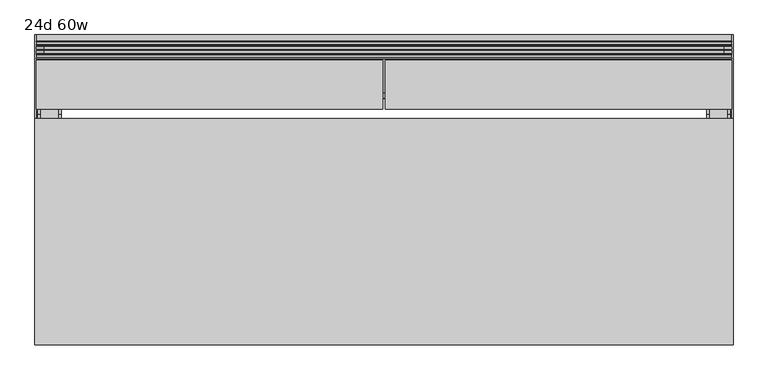
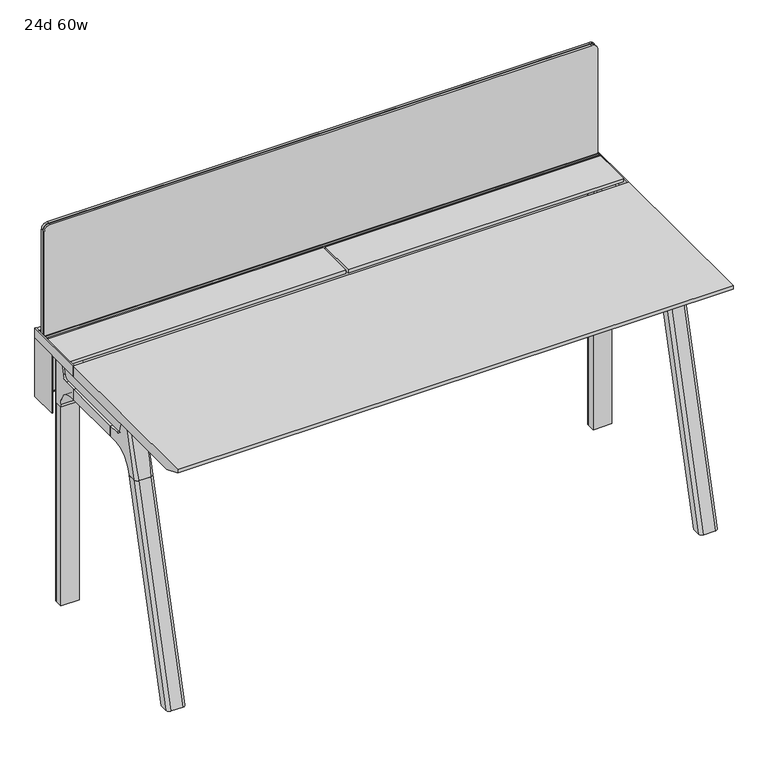
"""IFC4 building model written with IfcOpenShell, lengths in millimetres: furniture geometry, 24d 60w."""

from ifc_helpers import new_model, si_unit, point, frame, frame_2d, origin, place, context, project, spatial, polyline, circle_curve, ellipse_curve, trimmed, segment, composite_curve, outline, extrude, source, transform, mapped, element, save
from ifc_brep_helpers import plane_surface, cylinder_surface, revolved_surface, advanced_brep


def furniture_24d_60w_eb906c71(model_context):
    return source(origin(), model_context, "Body", "SolidModel", [
        extrude(outline(composite_curve([segment(polyline([(-171.6458172, 542.478661), (-293.447806, 542.478661)]), True, "CONTINUOUS"), segment(trimmed(circle_curve(frame_2d((-293.447806, 555.972411)), 13.49375), [point((-293.447806, 542.478661))], [point((-306.941556, 555.972411))], False, "CARTESIAN"), True, "CONTINUOUS"), segment(polyline([(-306.941556, 555.972411), (-306.941556, 579.126206), (-306.147806, 579.126206), (-306.147806, 555.972411)]), True, "CONTINUOUS"), segment(trimmed(circle_curve(frame_2d((-293.447806, 555.972411)), 12.7), [point((-306.147806, 555.972411))], [point((-293.447806, 543.272411))], True, "CARTESIAN"), True, "CONTINUOUS"), segment(polyline([(-293.447806, 543.272411), (-171.6458172, 543.272411), (-171.6458172, 542.478661)]), True, "CONTINUOUS")], self_intersect=False)), frame((-390.525, 0.0, 0.0), z_axis=(1.0, 0.0, 0.0), x_axis=(0.0, 1.0, 0.0)), (0.0, 0.0, 1.0), 1212.85),
        extrude(outline(polyline([(-167.2415802, 542.478661), (-171.6458172, 542.478661), (-171.6458172, 543.272411), (-168.0353302, 543.272411), (-168.0353302, 738.7080593), (-179.9097266, 738.7080593), (-179.9097266, 729.9768093), (-180.7034766, 729.9768093), (-180.7034766, 739.5018093), (-167.2415802, 739.5018093), (-167.2415802, 542.478661)])), frame((-542.925, 0.0, 0.0), z_axis=(1.0, 0.0, 0.0), x_axis=(0.0, 1.0, 0.0)), (0.0, 0.0, 1.0), 1517.65),
        extrude(outline(composite_curve([segment(polyline([(1054.89375, 955.675), (1054.89375, -523.875)]), True, "CONTINUOUS"), segment(trimmed(circle_curve(frame_2d((1039.01875, -523.875)), 15.875), [point((1054.89375, -523.875))], [point((1039.01875, -539.75))], False, "CARTESIAN"), True, "CONTINUOUS"), segment(polyline([(1039.01875, -539.75), (720.725, -539.75), (720.725, 971.55), (1039.01875, 971.55)]), True, "CONTINUOUS"), segment(trimmed(circle_curve(frame_2d((1039.01875, 955.675)), 15.875), [point((1039.01875, 971.55))], [point((1054.89375, 955.675))], False, "CARTESIAN"), True, "CONTINUOUS")], self_intersect=False)), frame((0.0, -201.3409766, 0.0), z_axis=(0.0, 1.0, 0.0), x_axis=(0.0, 0.0, 1.0)), (0.0, 0.0, 1.0), 3.175),
        extrude(outline(composite_curve([segment(polyline([(1058.06875, 958.85), (1058.06875, -527.05)]), True, "CONTINUOUS"), segment(trimmed(circle_curve(frame_2d((1042.19375, -527.05)), 15.875), [point((1058.06875, -527.05))], [point((1042.19375, -542.925))], False, "CARTESIAN"), True, "CONTINUOUS"), segment(polyline([(1042.19375, -542.925), (717.55, -542.925), (717.55, 974.725), (1042.19375, 974.725)]), True, "CONTINUOUS"), segment(trimmed(circle_curve(frame_2d((1042.19375, 958.85)), 15.875), [point((1042.19375, 974.725))], [point((1058.06875, 958.85))], False, "CARTESIAN"), True, "CONTINUOUS")], self_intersect=False)), frame((0.0, -198.1659766, 0.0), z_axis=(0.0, 1.0, 0.0), x_axis=(0.0, 0.0, 1.0)), (0.0, 0.0, 1.0), 5.55625),
        extrude(outline(composite_curve([segment(polyline([(1058.06875, 958.85), (1058.06875, -527.05)]), True, "CONTINUOUS"), segment(trimmed(circle_curve(frame_2d((1042.19375, -527.05)), 15.875), [point((1058.06875, -527.05))], [point((1042.19375, -542.925))], False, "CARTESIAN"), True, "CONTINUOUS"), segment(polyline([(1042.19375, -542.925), (717.55, -542.925), (717.55, 974.725), (1042.19375, 974.725)]), True, "CONTINUOUS"), segment(trimmed(circle_curve(frame_2d((1042.19375, 958.85)), 15.875), [point((1042.19375, 974.725))], [point((1058.06875, 958.85))], False, "CARTESIAN"), True, "CONTINUOUS")], self_intersect=False)), frame((0.0, -206.8972266, 0.0), z_axis=(0.0, 1.0, 0.0), x_axis=(0.0, 0.0, 1.0)), (0.0, 0.0, 1.0), 5.55625),
        extrude(outline(polyline([(-218.8034766, 715.9625), (-218.8034766, 741.3625), (-217.2159766, 741.3625), (-217.2159766, 720.725), (-210.8659766, 720.725), (-210.8659766, 741.3625), (-209.2784766, 741.3625), (-209.2784766, 717.55), (-190.2284766, 717.55), (-190.2284766, 741.3625), (-188.6409766, 741.3625), (-188.6409766, 720.725), (-182.2909766, 720.725), (-182.2909766, 741.3625), (-180.7034766, 741.3625), (-180.7034766, 715.9625), (-218.8034766, 715.9625)])), frame((-542.925, 0.0, 0.0), z_axis=(1.0, 0.0, 0.0), x_axis=(0.0, 1.0, 0.0)), (0.0, 0.0, 1.0), 1517.65),
        extrude(outline(composite_curve([segment(polyline([(-280.7159766, 711.2), (-289.7740774, 677.3947076)]), True, "CONTINUOUS"), segment(trimmed(circle_curve(frame_2d((-305.1081499, 681.5034599)), 15.875), [point((-289.7740774, 677.3947076))], [point((-305.1081499, 665.6284599))], False, "CARTESIAN"), True, "CONTINUOUS"), segment(polyline([(-305.1081499, 665.6284599), (-550.8050533, 665.6284599)]), True, "CONTINUOUS"), segment(trimmed(circle_curve(frame_2d((-550.8050533, 681.5034599)), 15.875), [point((-550.8050533, 665.6284599))], [point((-566.1391258, 677.3947076))], False, "CARTESIAN"), True, "CONTINUOUS"), segment(polyline([(-566.1391258, 677.3947076), (-575.1972266, 711.2), (-280.7159766, 711.2)]), True, "CONTINUOUS")], self_intersect=False)), frame((927.1, 0.0, 0.0), z_axis=(1.0, 0.0, 0.0), x_axis=(0.0, 1.0, 0.0)), (0.0, 0.0, 1.0), 38.1),
        extrude(outline(polyline([(971.55, -341.0409766), (971.55, -514.8722266), (920.75, -514.8722266), (920.75, -341.0409766), (971.55, -341.0409766)])), frame((0.0, 0.0, 635.6476591), z_axis=(0.0, 0.0, 1.0), x_axis=(1.0, 0.0, 0.0)), (0.0, 0.0, 1.0), 29.9808008),
        extrude(outline(composite_curve([segment(polyline([(-280.7159766, 711.2), (-289.7740774, 677.3947076)]), True, "CONTINUOUS"), segment(trimmed(circle_curve(frame_2d((-305.1081499, 681.5034599)), 15.875), [point((-289.7740774, 677.3947076))], [point((-305.1081499, 665.6284599))], False, "CARTESIAN"), True, "CONTINUOUS"), segment(polyline([(-305.1081499, 665.6284599), (-550.8050533, 665.6284599)]), True, "CONTINUOUS"), segment(trimmed(circle_curve(frame_2d((-550.8050533, 681.5034599)), 15.875), [point((-550.8050533, 665.6284599))], [point((-566.1391258, 677.3947076))], False, "CARTESIAN"), True, "CONTINUOUS"), segment(polyline([(-566.1391258, 677.3947076), (-575.1972266, 711.2), (-280.7159766, 711.2)]), True, "CONTINUOUS")], self_intersect=False)), frame((-533.4, 0.0, 0.0), z_axis=(1.0, 0.0, 0.0), x_axis=(0.0, 1.0, 0.0)), (0.0, 0.0, 1.0), 38.1),
        extrude(outline(polyline([(-488.95, -341.0409766), (-488.95, -514.8722266), (-539.75, -514.8722266), (-539.75, -341.0409766), (-488.95, -341.0409766)])), frame((0.0, 0.0, 635.6476591), z_axis=(0.0, 0.0, 1.0), x_axis=(1.0, 0.0, 0.0)), (0.0, 0.0, 1.0), 29.9808008),
        advanced_brep(
        [(971.55, -280.6696478, 711.2), (971.55, -289.7277486, 677.3947076), (971.55, -305.0618211, 665.6284599), (971.55, -341.0409766, 665.6284599), (971.55, -341.0409766, 635.6476591), (971.55, -329.9284766, 635.6476591), (971.55, -279.1284766, 584.8476591), (971.55, -279.1284766, 576.659375), (971.55, -256.9034766, 576.659375), (971.55, -256.9034766, 711.2), (920.75, -279.1284766, 576.659375), (920.75, -279.1284766, 584.8476591), (920.75, -329.9284766, 635.6476591), (920.75, -341.0409766, 635.6476591), (920.75, -341.0409766, 665.6284599), (920.75, -305.0618211, 665.6284599), (920.75, -289.7277486, 677.3947076), (920.75, -280.6696478, 711.2), (920.75, -256.9034766, 711.2), (920.75, -256.9034766, 576.659375), (962.025, -247.3784766, 711.2), (930.275, -247.3784766, 711.2), (930.275, -247.3784766, 576.659375), (962.025, -247.3784766, 576.659375)],
        [
            (0, 1),
            (1, 2, circle_curve(frame((971.55, -305.0618211, 681.5034599), z_axis=(-1.0, 0.0, 0.0), x_axis=(0.0, 1.0, 0.0)), 15.875)),
            (2, 3),
            (3, 4),
            (4, 5),
            (5, 6, circle_curve(frame((971.55, -329.9284766, 584.8476591), z_axis=(-1.0, 0.0, 0.0), x_axis=(0.0, 1.0, 0.0)), 50.8)),
            (6, 7),
            (7, 8),
            (8, 9),
            (9, 0),
            (10, 11),
            (11, 12, circle_curve(frame((920.75, -329.9284766, 584.8476591), z_axis=(1.0, 0.0, 0.0), x_axis=(0.0, 1.0, 0.0)), 50.8)),
            (12, 13),
            (13, 14),
            (14, 15),
            (15, 16, circle_curve(frame((920.75, -305.0618211, 681.5034599), z_axis=(1.0, 0.0, 0.0), x_axis=(0.0, 1.0, 0.0)), 15.875)),
            (16, 17),
            (17, 18),
            (18, 19),
            (19, 10),
            (17, 0),
            (9, 20, circle_curve(frame((962.025, -256.9034766, 711.2), z_axis=(0.0, 0.0, 1.0), x_axis=(-1.0, 0.0, 0.0)), 9.525)),
            (20, 21),
            (21, 18, circle_curve(frame((930.275, -256.9034766, 711.2), z_axis=(0.0, 0.0, 1.0), x_axis=(-1.0, 0.0, 0.0)), 9.525)),
            (16, 1),
            (15, 2),
            (14, 3),
            (13, 4),
            (12, 5),
            (7, 10),
            (19, 22, circle_curve(frame((930.275, -256.9034766, 576.659375), z_axis=(0.0, 0.0, -1.0), x_axis=(-1.0, 0.0, 0.0)), 9.525)),
            (22, 23),
            (23, 8, circle_curve(frame((962.025, -256.9034766, 576.659375), z_axis=(0.0, 0.0, -1.0), x_axis=(-1.0, 0.0, 0.0)), 9.525)),
            (11, 6),
            (23, 20),
            (21, 22),
        ],
        [
            plane_surface(frame((971.55, -240.451947, 711.2), z_axis=(1.0, 0.0, 0.0), x_axis=(0.0, -1.0, 0.0))),
            plane_surface(frame((920.75, -240.451947, 711.2), z_axis=(-1.0, 0.0, 0.0), x_axis=(0.0, 1.0, 0.0))),
            plane_surface(frame((971.55, -240.451947, 711.2), z_axis=(0.0, 0.0, 1.0), x_axis=(-1.0, 0.0, 0.0))),
            plane_surface(frame((971.55, -280.6696478, 711.2), z_axis=(0.0, -0.9659258262890683, 0.2588190451025207), x_axis=(-1.0, 0.0, 0.0))),
            revolved_surface(polyline([(920.75, -289.1868211, 681.5034599), (971.55, -289.1868211, 681.5034599)]), (920.75, -305.0618211, 681.5034599), (-1.0, 0.0, 0.0)),
            plane_surface(frame((971.55, -305.0618211, 665.6284599), z_axis=(0.0, 0.0, 1.0), x_axis=(-1.0, 0.0, 0.0))),
            plane_surface(frame((971.55, -341.0409766, 665.6284599), z_axis=(0.0, -1.0, 0.0), x_axis=(-1.0, 0.0, 0.0))),
            plane_surface(frame((971.55, -341.0409766, 635.6476591), z_axis=(0.0, 0.0, -1.0), x_axis=(-1.0, 0.0, 0.0))),
            plane_surface(frame((971.55, -279.1284766, 576.659375), z_axis=(0.0, 0.0, -1.0), x_axis=(-1.0, 0.0, 0.0))),
            revolved_surface(polyline([(920.75, -279.1284766, 584.8476591), (971.55, -279.1284766, 584.8476591)]), (920.75, -329.9284766, 584.8476591), (-1.0, 0.0, 0.0)),
            plane_surface(frame((971.55, -279.1284766, 584.8476591), z_axis=(0.0, -1.0, 0.0), x_axis=(-1.0, 0.0, 0.0))),
            cylinder_surface(frame((962.025, -256.9034766, 524.9807374), z_axis=(0.0, 0.0, -1.0), x_axis=(-1.0, 0.0, 0.0)), 9.525),
            cylinder_surface(frame((930.275, -256.9034766, 524.9807374), z_axis=(0.0, 0.0, -1.0), x_axis=(-1.0, 0.0, 0.0)), 9.525),
            plane_surface(frame((930.275, -247.3784766, 711.2), z_axis=(0.0, 1.0, 0.0), x_axis=(0.0, 0.0, -1.0))),
        ],
        [
            (0, [[1, 2, 3, 4, 5, 6, 7, 8, 9, 10]]),
            (1, [[11, 12, 13, 14, 15, 16, 17, 18, 19, 20]]),
            (2, [[21, -10, 22, 23, 24, -18]]),
            (3, [[-1, -21, -17, 25]]),
            (4, [[-2, -25, -16, 26]]),
            (5, [[-3, -26, -15, 27]]),
            (6, [[-4, -27, -14, 28]]),
            (7, [[-5, -28, -13, 29]]),
            (8, [[30, -20, 31, 32, 33, -8]]),
            (9, [[-6, -29, -12, 34]]),
            (10, [[-7, -34, -11, -30]]),
            (11, [[35, -22, -9, -33]]),
            (12, [[36, -31, -19, -24]]),
            (13, [[-35, -32, -36, -23]]),
        ],
    ),
        advanced_brep(
        [(920.75, -279.1284766, 576.659375), (971.55, -279.1284766, 576.659375), (971.55, -256.9034766, 576.659375), (962.025, -247.3784766, 576.659375), (930.275, -247.3784766, 576.659375), (920.75, -256.9034766, 576.659375), (920.75, -279.1284766, 0.0), (920.75, -256.9034766, 0.0), (930.275, -247.3784766, 0.0), (962.025, -247.3784766, 0.0), (971.55, -256.9034766, 0.0), (971.55, -279.1284766, 0.0), (971.55, -256.9034766, 524.9807374), (962.025, -247.3784766, 524.9807374), (930.275, -247.3784766, 524.9807374), (920.75, -256.9034766, 524.9807374)],
        [
            (0, 1),
            (1, 2),
            (2, 3, circle_curve(frame((962.025, -256.9034766, 576.659375), z_axis=(0.0, 0.0, 1.0), x_axis=(-1.0, 0.0, 0.0)), 9.525)),
            (3, 4),
            (4, 5, circle_curve(frame((930.275, -256.9034766, 576.659375), z_axis=(0.0, 0.0, 1.0), x_axis=(-1.0, 0.0, 0.0)), 9.525)),
            (5, 0),
            (6, 7),
            (7, 8, circle_curve(frame((930.275, -256.9034766, 0.0), z_axis=(0.0, 0.0, -1.0), x_axis=(-1.0, 0.0, 0.0)), 9.525)),
            (8, 9),
            (9, 10, circle_curve(frame((962.025, -256.9034766, 0.0), z_axis=(0.0, 0.0, -1.0), x_axis=(-1.0, 0.0, 0.0)), 9.525)),
            (10, 11),
            (11, 6),
            (0, 6),
            (11, 1),
            (10, 12),
            (12, 2),
            (9, 13),
            (13, 3),
            (8, 14),
            (14, 4),
            (7, 15),
            (15, 5),
        ],
        [
            plane_surface(frame((978.7462903, -279.1284766, 576.659375), z_axis=(0.0, 0.0, 1.0), x_axis=(1.0, 0.0, 0.0))),
            plane_surface(frame((978.7462903, -279.1284766, 0.0), z_axis=(0.0, 0.0, -1.0), x_axis=(-1.0, 0.0, 0.0))),
            plane_surface(frame((920.75, -279.1284766, 576.659375), z_axis=(0.0, -1.0, 0.0), x_axis=(0.0, 0.0, -1.0))),
            plane_surface(frame((971.55, -279.1284766, 576.659375), z_axis=(1.0, 0.0, 0.0), x_axis=(0.0, 0.0, -1.0))),
            cylinder_surface(frame((962.025, -256.9034766, 0.0), z_axis=(0.0, 0.0, 1.0), x_axis=(-1.0, 0.0, 0.0)), 9.525),
            plane_surface(frame((962.025, -247.3784766, 576.659375), z_axis=(0.0, 1.0, 0.0), x_axis=(0.0, 0.0, -1.0))),
            cylinder_surface(frame((930.275, -256.9034766, 0.0), z_axis=(0.0, 0.0, 1.0), x_axis=(-1.0, 0.0, 0.0)), 9.525),
            plane_surface(frame((920.75, -256.9034766, 576.659375), z_axis=(-1.0, 0.0, 0.0), x_axis=(0.0, 0.0, -1.0))),
        ],
        [
            (0, [[1, 2, 3, 4, 5, 6]]),
            (1, [[7, 8, 9, 10, 11, 12]]),
            (2, [[-1, 13, -12, 14]]),
            (3, [[-2, -14, -11, 15, 16]]),
            (4, [[-3, -16, -15, -10, 17, 18]]),
            (5, [[-4, -18, -17, -9, 19, 20]]),
            (6, [[-5, -20, -19, -8, 21, 22]]),
            (7, [[-6, -22, -21, -7, -13]]),
        ],
    ),
        advanced_brep(
        [(-488.95, -280.6696478, 711.2), (-488.95, -289.7277486, 677.3947076), (-488.95, -305.0618211, 665.6284599), (-488.95, -341.0409766, 665.6284599), (-488.95, -341.0409766, 635.6476591), (-488.95, -329.9284766, 635.6476591), (-488.95, -279.1284766, 584.8476591), (-488.95, -279.1284766, 576.659375), (-488.95, -256.9034766, 576.659375), (-488.95, -256.9034766, 711.2), (-539.75, -279.1284766, 576.659375), (-539.75, -279.1284766, 584.8476591), (-539.75, -329.9284766, 635.6476591), (-539.75, -341.0409766, 635.6476591), (-539.75, -341.0409766, 665.6284599), (-539.75, -305.0618211, 665.6284599), (-539.75, -289.7277486, 677.3947076), (-539.75, -280.6696478, 711.2), (-539.75, -256.9034766, 711.2), (-539.75, -256.9034766, 576.659375), (-498.475, -247.3784766, 711.2), (-530.225, -247.3784766, 711.2), (-530.225, -247.3784766, 576.659375), (-498.475, -247.3784766, 576.659375)],
        [
            (0, 1),
            (1, 2, circle_curve(frame((-488.95, -305.0618211, 681.5034599), z_axis=(-1.0, 0.0, 0.0), x_axis=(0.0, 1.0, 0.0)), 15.875)),
            (2, 3),
            (3, 4),
            (4, 5),
            (5, 6, circle_curve(frame((-488.95, -329.9284766, 584.8476591), z_axis=(-1.0, 0.0, 0.0), x_axis=(0.0, 1.0, 0.0)), 50.8)),
            (6, 7),
            (7, 8),
            (8, 9),
            (9, 0),
            (10, 11),
            (11, 12, circle_curve(frame((-539.75, -329.9284766, 584.8476591), z_axis=(1.0, 0.0, 0.0), x_axis=(0.0, 1.0, 0.0)), 50.8)),
            (12, 13),
            (13, 14),
            (14, 15),
            (15, 16, circle_curve(frame((-539.75, -305.0618211, 681.5034599), z_axis=(1.0, 0.0, 0.0), x_axis=(0.0, 1.0, 0.0)), 15.875)),
            (16, 17),
            (17, 18),
            (18, 19),
            (19, 10),
            (17, 0),
            (9, 20, circle_curve(frame((-498.475, -256.9034766, 711.2), z_axis=(0.0, 0.0, 1.0), x_axis=(-1.0, 0.0, 0.0)), 9.525)),
            (20, 21),
            (21, 18, circle_curve(frame((-530.225, -256.9034766, 711.2), z_axis=(0.0, 0.0, 1.0), x_axis=(-1.0, 0.0, 0.0)), 9.525)),
            (16, 1),
            (15, 2),
            (14, 3),
            (13, 4),
            (12, 5),
            (7, 10),
            (19, 22, circle_curve(frame((-530.225, -256.9034766, 576.659375), z_axis=(0.0, 0.0, -1.0), x_axis=(-1.0, 0.0, 0.0)), 9.525)),
            (22, 23),
            (23, 8, circle_curve(frame((-498.475, -256.9034766, 576.659375), z_axis=(0.0, 0.0, -1.0), x_axis=(-1.0, 0.0, 0.0)), 9.525)),
            (11, 6),
            (23, 20),
            (21, 22),
        ],
        [
            plane_surface(frame((-488.95, -240.451947, 711.2), z_axis=(1.0, 0.0, 0.0), x_axis=(0.0, -1.0, 0.0))),
            plane_surface(frame((-539.75, -240.451947, 711.2), z_axis=(-1.0, 0.0, 0.0), x_axis=(0.0, 1.0, 0.0))),
            plane_surface(frame((-488.95, -240.451947, 711.2), z_axis=(0.0, 0.0, 1.0), x_axis=(-1.0, 0.0, 0.0))),
            plane_surface(frame((-488.95, -280.6696478, 711.2), z_axis=(0.0, -0.9659258262890683, 0.2588190451025207), x_axis=(-1.0, 0.0, 0.0))),
            revolved_surface(polyline([(-539.75, -289.1868211, 681.5034599), (-488.95, -289.1868211, 681.5034599)]), (-539.75, -305.0618211, 681.5034599), (-1.0, 0.0, 0.0)),
            plane_surface(frame((-488.95, -305.0618211, 665.6284599), z_axis=(0.0, 0.0, 1.0), x_axis=(-1.0, 0.0, 0.0))),
            plane_surface(frame((-488.95, -341.0409766, 665.6284599), z_axis=(0.0, -1.0, 0.0), x_axis=(-1.0, 0.0, 0.0))),
            plane_surface(frame((-488.95, -341.0409766, 635.6476591), z_axis=(0.0, 0.0, -1.0), x_axis=(-1.0, 0.0, 0.0))),
            plane_surface(frame((-488.95, -279.1284766, 576.659375), z_axis=(0.0, 0.0, -1.0), x_axis=(-1.0, 0.0, 0.0))),
            revolved_surface(polyline([(-539.75, -279.1284766, 584.8476591), (-488.95, -279.1284766, 584.8476591)]), (-539.75, -329.9284766, 584.8476591), (-1.0, 0.0, 0.0)),
            plane_surface(frame((-488.95, -279.1284766, 584.8476591), z_axis=(0.0, -1.0, 0.0), x_axis=(-1.0, 0.0, 0.0))),
            cylinder_surface(frame((-498.475, -256.9034766, 524.9807374), z_axis=(0.0, 0.0, -1.0), x_axis=(-1.0, 0.0, 0.0)), 9.525),
            cylinder_surface(frame((-530.225, -256.9034766, 524.9807374), z_axis=(0.0, 0.0, -1.0), x_axis=(-1.0, 0.0, 0.0)), 9.525),
            plane_surface(frame((-530.225, -247.3784766, 711.2), z_axis=(0.0, 1.0, 0.0), x_axis=(0.0, 0.0, -1.0))),
        ],
        [
            (0, [[1, 2, 3, 4, 5, 6, 7, 8, 9, 10]]),
            (1, [[11, 12, 13, 14, 15, 16, 17, 18, 19, 20]]),
            (2, [[21, -10, 22, 23, 24, -18]]),
            (3, [[-1, -21, -17, 25]]),
            (4, [[-2, -25, -16, 26]]),
            (5, [[-3, -26, -15, 27]]),
            (6, [[-4, -27, -14, 28]]),
            (7, [[-5, -28, -13, 29]]),
            (8, [[30, -20, 31, 32, 33, -8]]),
            (9, [[-6, -29, -12, 34]]),
            (10, [[-7, -34, -11, -30]]),
            (11, [[35, -22, -9, -33]]),
            (12, [[36, -31, -19, -24]]),
            (13, [[-35, -32, -36, -23]]),
        ],
    ),
        advanced_brep(
        [(-539.75, -279.1284766, 576.659375), (-488.95, -279.1284766, 576.659375), (-488.95, -256.9034766, 576.659375), (-498.475, -247.3784766, 576.659375), (-530.225, -247.3784766, 576.659375), (-539.75, -256.9034766, 576.659375), (-539.75, -279.1284766, 0.0), (-539.75, -256.9034766, 0.0), (-530.225, -247.3784766, 0.0), (-498.475, -247.3784766, 0.0), (-488.95, -256.9034766, 0.0), (-488.95, -279.1284766, 0.0), (-488.95, -256.9034766, 524.9807374), (-498.475, -247.3784766, 524.9807374), (-530.225, -247.3784766, 524.9807374), (-539.75, -256.9034766, 524.9807374)],
        [
            (0, 1),
            (1, 2),
            (2, 3, circle_curve(frame((-498.475, -256.9034766, 576.659375), z_axis=(0.0, 0.0, 1.0), x_axis=(-1.0, 0.0, 0.0)), 9.525)),
            (3, 4),
            (4, 5, circle_curve(frame((-530.225, -256.9034766, 576.659375), z_axis=(0.0, 0.0, 1.0), x_axis=(-1.0, 0.0, 0.0)), 9.525)),
            (5, 0),
            (6, 7),
            (7, 8, circle_curve(frame((-530.225, -256.9034766, 0.0), z_axis=(0.0, 0.0, -1.0), x_axis=(-1.0, 0.0, 0.0)), 9.525)),
            (8, 9),
            (9, 10, circle_curve(frame((-498.475, -256.9034766, 0.0), z_axis=(0.0, 0.0, -1.0), x_axis=(-1.0, 0.0, 0.0)), 9.525)),
            (10, 11),
            (11, 6),
            (0, 6),
            (11, 1),
            (10, 12),
            (12, 2),
            (9, 13),
            (13, 3),
            (8, 14),
            (14, 4),
            (7, 15),
            (15, 5),
        ],
        [
            plane_surface(frame((-481.7537097, -279.1284766, 576.659375), z_axis=(0.0, 0.0, 1.0), x_axis=(1.0, 0.0, 0.0))),
            plane_surface(frame((-481.7537097, -279.1284766, 0.0), z_axis=(0.0, 0.0, -1.0), x_axis=(-1.0, 0.0, 0.0))),
            plane_surface(frame((-539.75, -279.1284766, 576.659375), z_axis=(0.0, -1.0, 0.0), x_axis=(0.0, 0.0, -1.0))),
            plane_surface(frame((-488.95, -279.1284766, 576.659375), z_axis=(1.0, 0.0, 0.0), x_axis=(0.0, 0.0, -1.0))),
            cylinder_surface(frame((-498.475, -256.9034766, 0.0), z_axis=(0.0, 0.0, 1.0), x_axis=(-1.0, 0.0, 0.0)), 9.525),
            plane_surface(frame((-498.475, -247.3784766, 576.659375), z_axis=(0.0, 1.0, 0.0), x_axis=(0.0, 0.0, -1.0))),
            cylinder_surface(frame((-530.225, -256.9034766, 0.0), z_axis=(0.0, 0.0, 1.0), x_axis=(-1.0, 0.0, 0.0)), 9.525),
            plane_surface(frame((-539.75, -256.9034766, 576.659375), z_axis=(-1.0, 0.0, 0.0), x_axis=(0.0, 0.0, -1.0))),
        ],
        [
            (0, [[1, 2, 3, 4, 5, 6]]),
            (1, [[7, 8, 9, 10, 11, 12]]),
            (2, [[-1, 13, -12, 14]]),
            (3, [[-2, -14, -11, 15, 16]]),
            (4, [[-3, -16, -15, -10, 17, 18]]),
            (5, [[-4, -18, -17, -9, 19, 20]]),
            (6, [[-5, -20, -19, -8, 21, 22]]),
            (7, [[-6, -22, -21, -7, -13]]),
        ],
    ),
        advanced_brep(
        [(920.75, -568.8935553, 711.2), (920.75, -559.8354545, 677.3947076), (920.75, -544.501382, 665.6284599), (920.75, -514.8722266, 665.6284599), (920.75, -514.8722266, 635.6476591), (920.75, -537.7434588, 635.6476591), (920.75, -602.1465633, 586.2294189), (920.75, -604.7047754, 576.6820411), (920.75, -625.8087453, 576.6820411), (920.75, -590.3601017, 711.2), (971.55, -604.7047754, 576.6820411), (971.55, -602.1465633, 586.2294189), (971.55, -537.7434588, 635.6476591), (971.55, -514.8722266, 635.6476591), (971.55, -514.8722266, 665.6284599), (971.55, -544.501382, 665.6284599), (971.55, -559.8354545, 677.3947076), (971.55, -568.8935553, 711.2), (971.55, -590.3601017, 711.2), (971.55, -625.8087453, 576.6820411), (927.0138162, -599.6149462, 711.2), (965.2861838, -599.6149462, 711.2), (962.025, -635.6589247, 576.6820411), (930.275, -635.6589247, 576.6820411)],
        [
            (0, 1),
            (1, 2, circle_curve(frame((920.75, -544.501382, 681.5034599), z_axis=(1.0, 0.0, 0.0), x_axis=(0.0, -1.0, 0.0)), 15.875)),
            (2, 3),
            (3, 4),
            (4, 5),
            (5, 6, circle_curve(frame((920.75, -537.7434588, 568.9726591), z_axis=(1.0, 0.0, 0.0), x_axis=(0.0, -1.0, 0.0)), 66.675)),
            (6, 7),
            (7, 8),
            (8, 9),
            (9, 0),
            (10, 11),
            (11, 12, circle_curve(frame((971.55, -537.7434588, 568.9726591), z_axis=(-1.0, 0.0, 0.0), x_axis=(0.0, -1.0, 0.0)), 66.675)),
            (12, 13),
            (13, 14),
            (14, 15),
            (15, 16, circle_curve(frame((971.55, -544.501382, 681.5034599), z_axis=(-1.0, 0.0, 0.0), x_axis=(0.0, -1.0, 0.0)), 15.875)),
            (16, 17),
            (17, 18),
            (18, 19),
            (19, 10),
            (17, 0),
            (9, 20, ellipse_curve(frame((930.275, -590.3601017, 711.2), z_axis=(0.0, 0.0, 1.0), x_axis=(0.0, -1.0, 0.0)), 9.8501793, 9.525)),
            (20, 21),
            (21, 18, ellipse_curve(frame((962.025, -590.3601017, 711.2), z_axis=(0.0, 0.0, 1.0), x_axis=(0.0, -1.0, 0.0)), 9.8501793, 9.525)),
            (16, 1),
            (15, 2),
            (14, 3),
            (13, 4),
            (12, 5),
            (11, 6),
            (10, 7),
            (19, 22, ellipse_curve(frame((962.025, -625.8087453, 576.6820411), z_axis=(0.0, 0.0, -1.0), x_axis=(0.0, -1.0, 0.0)), 9.8501793, 9.525)),
            (22, 23),
            (23, 8, ellipse_curve(frame((930.275, -625.8087453, 576.6820411), z_axis=(0.0, 0.0, -1.0), x_axis=(0.0, -1.0, 0.0)), 9.8501793, 9.525)),
            (20, 23, ellipse_curve(frame((930.275, -39.2892106, 2802.3641142), z_axis=(0.0, -0.9659258262890684, 0.2588190451025206), x_axis=(0.0, -0.2588190451025206, -0.9659258262890684)), 2304.1956354, 9.525)),
            (22, 21, ellipse_curve(frame((962.025, -39.2892106, 2802.3641142), z_axis=(0.0, -0.9659258262890684, 0.2588190451025206), x_axis=(0.0, -0.2588190451025206, -0.9659258262890684)), 2304.1956354, 9.525)),
        ],
        [
            plane_surface(frame((920.75, -599.6149462, 711.2), z_axis=(-1.0, 0.0, 0.0), x_axis=(0.0, 1.0, 0.0))),
            plane_surface(frame((971.55, -599.6149462, 711.2), z_axis=(1.0, 0.0, 0.0), x_axis=(0.0, -1.0, 0.0))),
            plane_surface(frame((920.75, -599.6149462, 711.2), z_axis=(0.0, 0.0, 1.0), x_axis=(1.0, 0.0, 0.0))),
            plane_surface(frame((920.75, -568.8935553, 711.2), z_axis=(0.0, 0.9659258262890683, 0.2588190451025207), x_axis=(1.0, 0.0, 0.0))),
            revolved_surface(polyline([(971.55, -560.376382, 681.5034599), (920.75, -560.376382, 681.5034599)]), (971.55, -544.501382, 681.5034599), (1.0, 0.0, 0.0)),
            plane_surface(frame((920.75, -544.501382, 665.6284599), z_axis=(0.0, 0.0, 1.0), x_axis=(1.0, 0.0, 0.0))),
            plane_surface(frame((920.75, -514.8722266, 665.6284599), z_axis=(0.0, 1.0, 0.0), x_axis=(1.0, 0.0, 0.0))),
            plane_surface(frame((920.75, -514.8722266, 635.6476591), z_axis=(0.0, 0.0, -1.0), x_axis=(1.0, 0.0, 0.0))),
            revolved_surface(polyline([(971.55, -604.4184587999999, 568.9726591), (920.75, -604.4184587999999, 568.9726591)]), (971.55, -537.7434588, 568.9726591), (1.0, 0.0, 0.0)),
            plane_surface(frame((920.75, -602.1465633, 586.2294189), z_axis=(0.0, 0.9659258262890693, -0.25881904510251696), x_axis=(1.0, 0.0, 0.0))),
            plane_surface(frame((920.75, -604.7047754, 576.6820411), z_axis=(0.0, 0.0, -1.0), x_axis=(1.0, 0.0, 0.0))),
            plane_surface(frame((920.75, -635.6589247, 576.6820411), z_axis=(0.0, -0.9659258262890684, 0.2588190451025206), x_axis=(1.0, 0.0, 0.0))),
            cylinder_surface(frame((930.275, -778.4176402, -2.4271979), z_axis=(0.0, -0.25482392474081483, -0.966987470125486), x_axis=(1.0, 0.0, 0.0)), 9.525),
            cylinder_surface(frame((962.025, -778.4176402, -2.4271979), z_axis=(0.0, -0.25482392474081483, -0.966987470125486), x_axis=(1.0, 0.0, 0.0)), 9.525),
        ],
        [
            (0, [[1, 2, 3, 4, 5, 6, 7, 8, 9, 10]]),
            (1, [[11, 12, 13, 14, 15, 16, 17, 18, 19, 20]]),
            (2, [[21, -10, 22, 23, 24, -18]]),
            (3, [[-1, -21, -17, 25]]),
            (4, [[-2, -25, -16, 26]]),
            (5, [[-3, -26, -15, 27]]),
            (6, [[-4, -27, -14, 28]]),
            (7, [[-5, -28, -13, 29]]),
            (8, [[-6, -29, -12, 30]]),
            (9, [[-7, -30, -11, 31]]),
            (10, [[-31, -20, 32, 33, 34, -8]]),
            (11, [[-23, 35, -33, 36]]),
            (12, [[-9, -34, -35, -22]]),
            (13, [[-19, -24, -36, -32]]),
        ],
    ),
        advanced_brep(
        [(920.75, -604.7047754, 576.6820411), (920.75, -756.6740466, 0.0), (920.75, -777.7780165, 0.0), (920.75, -625.8087453, 576.6820411), (971.55, -756.6740466, 0.0), (971.55, -604.7047754, 576.6820411), (971.55, -625.8087453, 576.6820411), (971.55, -777.7780165, 0.0), (930.275, -635.6589247, 576.6820411), (962.025, -635.6589247, 576.6820411), (962.025, -787.6281958, 0.0), (930.275, -787.6281958, 0.0)],
        [
            (0, 1),
            (1, 2),
            (2, 3),
            (3, 0),
            (4, 5),
            (5, 6),
            (6, 7),
            (7, 4),
            (5, 0),
            (3, 8, ellipse_curve(frame((930.275, -625.8087453, 576.6820411), z_axis=(0.0, 0.0, 1.0), x_axis=(0.0, -1.0, 0.0)), 9.8501793, 9.525)),
            (8, 9),
            (9, 6, ellipse_curve(frame((962.025, -625.8087453, 576.6820411), z_axis=(0.0, 0.0, 1.0), x_axis=(0.0, -1.0, 0.0)), 9.8501793, 9.525)),
            (4, 1),
            (7, 10, ellipse_curve(frame((962.025, -777.7780165, 0.0), z_axis=(0.0, 0.0, -1.0), x_axis=(0.0, -1.0, 0.0)), 9.8501793, 9.525)),
            (10, 11),
            (11, 2, ellipse_curve(frame((930.275, -777.7780165, 0.0), z_axis=(0.0, 0.0, -1.0), x_axis=(0.0, -1.0, 0.0)), 9.8501793, 9.525)),
            (8, 11),
            (10, 9),
        ],
        [
            plane_surface(frame((920.75, -635.6589247, 576.6820411), z_axis=(-1.0, 0.0, 0.0), x_axis=(0.0, 1.0, 0.0))),
            plane_surface(frame((971.55, -635.6589247, 576.6820411), z_axis=(1.0, 0.0, 0.0), x_axis=(0.0, -1.0, 0.0))),
            plane_surface(frame((920.75, -635.6589247, 576.6820411), z_axis=(0.0, 0.0, 1.0), x_axis=(1.0, 0.0, 0.0))),
            plane_surface(frame((920.75, -604.7047754, 576.6820411), z_axis=(0.0, 0.9669874701254844, -0.2548239247408208), x_axis=(1.0, 0.0, 0.0))),
            plane_surface(frame((920.75, -756.6740466, 0.0), z_axis=(0.0, 0.0, -1.0), x_axis=(1.0, 0.0, 0.0))),
            plane_surface(frame((920.75, -787.6281958, 0.0), z_axis=(0.0, -0.9669874701254855, 0.2548239247408166), x_axis=(1.0, 0.0, 0.0))),
            cylinder_surface(frame((930.275, -778.4176402, -2.4271979), z_axis=(0.0, -0.25482392474081483, -0.966987470125486), x_axis=(1.0, 0.0, 0.0)), 9.525),
            cylinder_surface(frame((962.025, -778.4176402, -2.4271979), z_axis=(0.0, -0.25482392474081483, -0.966987470125486), x_axis=(1.0, 0.0, 0.0)), 9.525),
        ],
        [
            (0, [[1, 2, 3, 4]]),
            (1, [[5, 6, 7, 8]]),
            (2, [[9, -4, 10, 11, 12, -6]]),
            (3, [[-1, -9, -5, 13]]),
            (4, [[-13, -8, 14, 15, 16, -2]]),
            (5, [[-11, 17, -15, 18]]),
            (6, [[-3, -16, -17, -10]]),
            (7, [[-7, -12, -18, -14]]),
        ],
    ),
        advanced_brep(
        [(-539.75, -568.8935553, 711.2), (-539.75, -559.8354545, 677.3947076), (-539.75, -544.501382, 665.6284599), (-539.75, -514.8722266, 665.6284599), (-539.75, -514.8722266, 635.6476591), (-539.75, -537.7434588, 635.6476591), (-539.75, -602.1465633, 586.2294189), (-539.75, -604.7047754, 576.6820411), (-539.75, -625.8087453, 576.6820411), (-539.75, -590.3601017, 711.2), (-488.95, -604.7047754, 576.6820411), (-488.95, -602.1465633, 586.2294189), (-488.95, -537.7434588, 635.6476591), (-488.95, -514.8722266, 635.6476591), (-488.95, -514.8722266, 665.6284599), (-488.95, -544.501382, 665.6284599), (-488.95, -559.8354545, 677.3947076), (-488.95, -568.8935553, 711.2), (-488.95, -590.3601017, 711.2), (-488.95, -625.8087453, 576.6820411), (-533.4861838, -599.6149462, 711.2), (-495.2138162, -599.6149462, 711.2), (-498.475, -635.6589247, 576.6820411), (-530.225, -635.6589247, 576.6820411)],
        [
            (0, 1),
            (1, 2, circle_curve(frame((-539.75, -544.501382, 681.5034599), z_axis=(1.0, 0.0, 0.0), x_axis=(0.0, -1.0, 0.0)), 15.875)),
            (2, 3),
            (3, 4),
            (4, 5),
            (5, 6, circle_curve(frame((-539.75, -537.7434588, 568.9726591), z_axis=(1.0, 0.0, 0.0), x_axis=(0.0, -1.0, 0.0)), 66.675)),
            (6, 7),
            (7, 8),
            (8, 9),
            (9, 0),
            (10, 11),
            (11, 12, circle_curve(frame((-488.95, -537.7434588, 568.9726591), z_axis=(-1.0, 0.0, 0.0), x_axis=(0.0, -1.0, 0.0)), 66.675)),
            (12, 13),
            (13, 14),
            (14, 15),
            (15, 16, circle_curve(frame((-488.95, -544.501382, 681.5034599), z_axis=(-1.0, 0.0, 0.0), x_axis=(0.0, -1.0, 0.0)), 15.875)),
            (16, 17),
            (17, 18),
            (18, 19),
            (19, 10),
            (17, 0),
            (9, 20, ellipse_curve(frame((-530.225, -590.3601017, 711.2), z_axis=(0.0, 0.0, 1.0), x_axis=(0.0, -1.0, 0.0)), 9.8501793, 9.525)),
            (20, 21),
            (21, 18, ellipse_curve(frame((-498.475, -590.3601017, 711.2), z_axis=(0.0, 0.0, 1.0), x_axis=(0.0, -1.0, 0.0)), 9.8501793, 9.525)),
            (16, 1),
            (15, 2),
            (14, 3),
            (13, 4),
            (12, 5),
            (11, 6),
            (10, 7),
            (19, 22, ellipse_curve(frame((-498.475, -625.8087453, 576.6820411), z_axis=(0.0, 0.0, -1.0), x_axis=(0.0, -1.0, 0.0)), 9.8501793, 9.525)),
            (22, 23),
            (23, 8, ellipse_curve(frame((-530.225, -625.8087453, 576.6820411), z_axis=(0.0, 0.0, -1.0), x_axis=(0.0, -1.0, 0.0)), 9.8501793, 9.525)),
            (20, 23, ellipse_curve(frame((-530.225, -39.2892106, 2802.3641142), z_axis=(0.0, -0.9659258262890684, 0.2588190451025206), x_axis=(0.0, -0.2588190451025206, -0.9659258262890684)), 2304.1956354, 9.525)),
            (22, 21, ellipse_curve(frame((-498.475, -39.2892106, 2802.3641142), z_axis=(0.0, -0.9659258262890684, 0.2588190451025206), x_axis=(0.0, -0.2588190451025206, -0.9659258262890684)), 2304.1956354, 9.525)),
        ],
        [
            plane_surface(frame((-539.75, -599.6149462, 711.2), z_axis=(-1.0, 0.0, 0.0), x_axis=(0.0, 1.0, 0.0))),
            plane_surface(frame((-488.95, -599.6149462, 711.2), z_axis=(1.0, 0.0, 0.0), x_axis=(0.0, -1.0, 0.0))),
            plane_surface(frame((-539.75, -599.6149462, 711.2), z_axis=(0.0, 0.0, 1.0), x_axis=(1.0, 0.0, 0.0))),
            plane_surface(frame((-539.75, -568.8935553, 711.2), z_axis=(0.0, 0.9659258262890683, 0.2588190451025207), x_axis=(1.0, 0.0, 0.0))),
            revolved_surface(polyline([(-488.95, -560.376382, 681.5034599), (-539.75, -560.376382, 681.5034599)]), (-488.95, -544.501382, 681.5034599), (1.0, 0.0, 0.0)),
            plane_surface(frame((-539.75, -544.501382, 665.6284599), z_axis=(0.0, 0.0, 1.0), x_axis=(1.0, 0.0, 0.0))),
            plane_surface(frame((-539.75, -514.8722266, 665.6284599), z_axis=(0.0, 1.0, 0.0), x_axis=(1.0, 0.0, 0.0))),
            plane_surface(frame((-539.75, -514.8722266, 635.6476591), z_axis=(0.0, 0.0, -1.0), x_axis=(1.0, 0.0, 0.0))),
            revolved_surface(polyline([(-488.95, -604.4184587999999, 568.9726591), (-539.75, -604.4184587999999, 568.9726591)]), (-488.95, -537.7434588, 568.9726591), (1.0, 0.0, 0.0)),
            plane_surface(frame((-539.75, -602.1465633, 586.2294189), z_axis=(0.0, 0.9659258262890693, -0.25881904510251696), x_axis=(1.0, 0.0, 0.0))),
            plane_surface(frame((-539.75, -604.7047754, 576.6820411), z_axis=(0.0, 0.0, -1.0), x_axis=(1.0, 0.0, 0.0))),
            plane_surface(frame((-539.75, -635.6589247, 576.6820411), z_axis=(0.0, -0.9659258262890684, 0.2588190451025206), x_axis=(1.0, 0.0, 0.0))),
            cylinder_surface(frame((-530.225, -778.4176402, -2.4271979), z_axis=(0.0, -0.25482392474081483, -0.966987470125486), x_axis=(1.0, 0.0, 0.0)), 9.525),
            cylinder_surface(frame((-498.475, -778.4176402, -2.4271979), z_axis=(0.0, -0.25482392474081483, -0.966987470125486), x_axis=(1.0, 0.0, 0.0)), 9.525),
        ],
        [
            (0, [[1, 2, 3, 4, 5, 6, 7, 8, 9, 10]]),
            (1, [[11, 12, 13, 14, 15, 16, 17, 18, 19, 20]]),
            (2, [[21, -10, 22, 23, 24, -18]]),
            (3, [[-1, -21, -17, 25]]),
            (4, [[-2, -25, -16, 26]]),
            (5, [[-3, -26, -15, 27]]),
            (6, [[-4, -27, -14, 28]]),
            (7, [[-5, -28, -13, 29]]),
            (8, [[-6, -29, -12, 30]]),
            (9, [[-7, -30, -11, 31]]),
            (10, [[-31, -20, 32, 33, 34, -8]]),
            (11, [[-23, 35, -33, 36]]),
            (12, [[-9, -34, -35, -22]]),
            (13, [[-19, -24, -36, -32]]),
        ],
    ),
        advanced_brep(
        [(-539.75, -604.7047754, 576.6820411), (-539.75, -756.6740466, 0.0), (-539.75, -777.7780165, 0.0), (-539.75, -625.8087453, 576.6820411), (-488.95, -756.6740466, 0.0), (-488.95, -604.7047754, 576.6820411), (-488.95, -625.8087453, 576.6820411), (-488.95, -777.7780165, 0.0), (-530.225, -635.6589247, 576.6820411), (-498.475, -635.6589247, 576.6820411), (-498.475, -787.6281958, 0.0), (-530.225, -787.6281958, 0.0)],
        [
            (0, 1),
            (1, 2),
            (2, 3),
            (3, 0),
            (4, 5),
            (5, 6),
            (6, 7),
            (7, 4),
            (5, 0),
            (3, 8, ellipse_curve(frame((-530.225, -625.8087453, 576.6820411), z_axis=(0.0, 0.0, 1.0), x_axis=(0.0, -1.0, 0.0)), 9.8501793, 9.525)),
            (8, 9),
            (9, 6, ellipse_curve(frame((-498.475, -625.8087453, 576.6820411), z_axis=(0.0, 0.0, 1.0), x_axis=(0.0, -1.0, 0.0)), 9.8501793, 9.525)),
            (4, 1),
            (7, 10, ellipse_curve(frame((-498.475, -777.7780165, 0.0), z_axis=(0.0, 0.0, -1.0), x_axis=(0.0, -1.0, 0.0)), 9.8501793, 9.525)),
            (10, 11),
            (11, 2, ellipse_curve(frame((-530.225, -777.7780165, 0.0), z_axis=(0.0, 0.0, -1.0), x_axis=(0.0, -1.0, 0.0)), 9.8501793, 9.525)),
            (8, 11),
            (10, 9),
        ],
        [
            plane_surface(frame((-539.75, -635.6589247, 576.6820411), z_axis=(-1.0, 0.0, 0.0), x_axis=(0.0, 1.0, 0.0))),
            plane_surface(frame((-488.95, -635.6589247, 576.6820411), z_axis=(1.0, 0.0, 0.0), x_axis=(0.0, -1.0, 0.0))),
            plane_surface(frame((-539.75, -635.6589247, 576.6820411), z_axis=(0.0, 0.0, 1.0), x_axis=(1.0, 0.0, 0.0))),
            plane_surface(frame((-539.75, -604.7047754, 576.6820411), z_axis=(0.0, 0.9669874701254844, -0.2548239247408208), x_axis=(1.0, 0.0, 0.0))),
            plane_surface(frame((-539.75, -756.6740466, 0.0), z_axis=(0.0, 0.0, -1.0), x_axis=(1.0, 0.0, 0.0))),
            plane_surface(frame((-539.75, -787.6281958, 0.0), z_axis=(0.0, -0.9669874701254855, 0.2548239247408166), x_axis=(1.0, 0.0, 0.0))),
            cylinder_surface(frame((-530.225, -778.4176402, -2.4271979), z_axis=(0.0, -0.25482392474081483, -0.966987470125486), x_axis=(1.0, 0.0, 0.0)), 9.525),
            cylinder_surface(frame((-498.475, -778.4176402, -2.4271979), z_axis=(0.0, -0.25482392474081483, -0.966987470125486), x_axis=(1.0, 0.0, 0.0)), 9.525),
        ],
        [
            (0, [[1, 2, 3, 4]]),
            (1, [[5, 6, 7, 8]]),
            (2, [[9, -4, 10, 11, 12, -6]]),
            (3, [[-1, -9, -5, 13]]),
            (4, [[-13, -8, 14, 15, 16, -2]]),
            (5, [[-11, 17, -15, 18]]),
            (6, [[-3, -16, -17, -10]]),
            (7, [[-7, -12, -18, -14]]),
        ],
    ),
        extrude(outline(polyline([(-845.0722266, 741.3625), (-349.7722266, 741.3625), (-349.7722266, 711.2), (-794.2722266, 711.2), (-845.0722266, 731.8375), (-845.0722266, 741.3625)])), frame((-546.1, 0.0, 0.0), z_axis=(1.0, 0.0, 0.0), x_axis=(0.0, 1.0, 0.0)), (0.0, 0.0, 1.0), 1524.0),
        extrude(outline(polyline([(974.725, -247.3784766), (974.725, -167.2097266), (977.9, -167.2097266), (977.9, -247.3784766), (974.725, -247.3784766)])), frame((0.0, 0.0, 542.528125), z_axis=(0.0, 0.0, 1.0), x_axis=(1.0, 0.0, 0.0)), (0.0, 0.0, 1.0), 168.671875),
        extrude(outline(polyline([(-546.1, -247.3784766), (-546.1, -167.2097266), (-542.925, -167.2097266), (-542.925, -247.3784766), (-546.1, -247.3784766)])), frame((0.0, 0.0, 542.528125), z_axis=(0.0, 0.0, 1.0), x_axis=(1.0, 0.0, 0.0)), (0.0, 0.0, 1.0), 168.671875),
        extrude(outline(polyline([(212.725, -221.9784766), (212.725, -329.9284766), (-542.925, -329.9284766), (-542.925, -221.9784766), (212.725, -221.9784766)])), frame((0.0, 0.0, 731.8375), z_axis=(0.0, 0.0, 1.0), x_axis=(1.0, 0.0, 0.0)), (0.0, 0.0, 1.0), 9.525),
        extrude(outline(polyline([(974.725, -221.9784766), (974.725, -329.9284766), (219.075, -329.9284766), (219.075, -221.9784766), (974.725, -221.9784766)])), frame((0.0, 0.0, 731.8375), z_axis=(0.0, 0.0, 1.0), x_axis=(1.0, 0.0, 0.0)), (0.0, 0.0, 1.0), 9.525),
        extrude(outline(polyline([(920.75, -377.5534766), (920.75, -409.3034766), (-488.95, -409.3034766), (-488.95, -377.5534766), (920.75, -377.5534766)])), frame((0.0, 0.0, 646.1125), z_axis=(0.0, 0.0, 1.0), x_axis=(1.0, 0.0, 0.0)), (0.0, 0.0, 1.0), 50.8),
        extrude(outline(polyline([(977.9, -167.2097266), (977.9, -349.7722266), (974.725, -349.7722266), (974.725, -167.2097266), (977.9, -167.2097266)])), frame((0.0, 0.0, 711.2), z_axis=(0.0, 0.0, 1.0), x_axis=(1.0, 0.0, 0.0)), (0.0, 0.0, 1.0), 30.1625),
        extrude(outline(polyline([(-542.925, -167.2097266), (-542.925, -349.7722266), (-546.1, -349.7722266), (-546.1, -167.2097266), (-542.925, -167.2097266)])), frame((0.0, 0.0, 711.2), z_axis=(0.0, 0.0, 1.0), x_axis=(1.0, 0.0, 0.0)), (0.0, 0.0, 1.0), 30.1625),
    ])


if __name__ == "__main__":
    model = new_model("IFC4")
    model_context = context("Model", 3, world=origin())
    ifc_project = project(units=[si_unit("LENGTHUNIT", "METRE", prefix="MILLI")], contexts=[model_context])
    site = spatial("IfcSite", under=ifc_project)
    building = spatial("IfcBuilding", under=site)
    placement = place(None, origin())
    furniture_24d_60w_shape = furniture_24d_60w_eb906c71(model_context)
    element("IfcFurniture", 1, ObjectType="24d 60w", at=placement, inside=building, context=model_context, shape_type="MappedRepresentation", body=[
        mapped(furniture_24d_60w_shape, transform((0.0, 0.0, 0.0), x_axis=(1.0, 0.0, 0.0), y_axis=(0.0, 1.0, 0.0), z_axis=(0.0, 0.0, 1.0))),
    ])
    save(model, "model.ifc")
